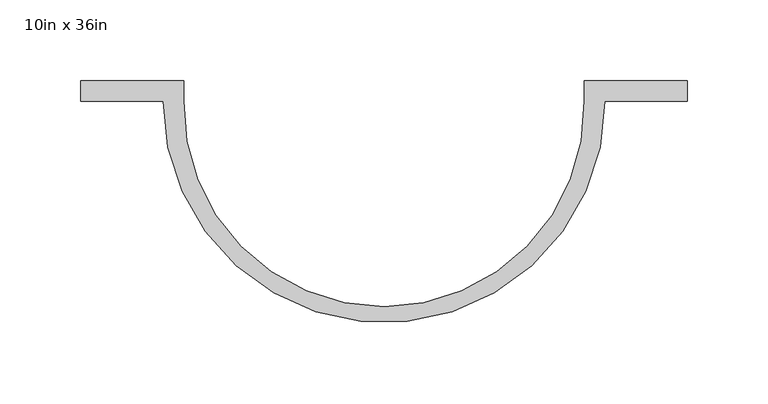
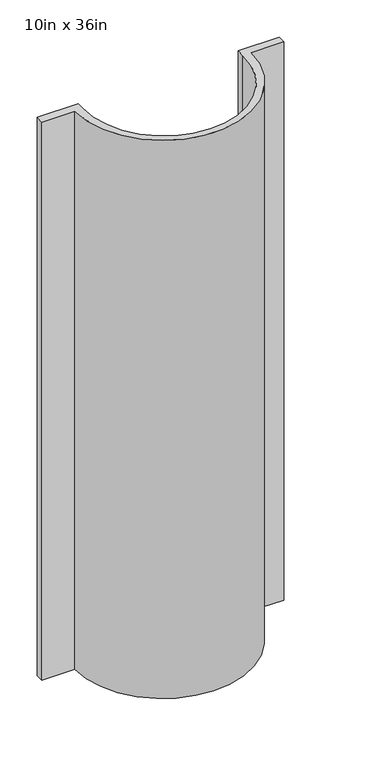
"""IFC4 building model written with IfcOpenShell, lengths in millimetres: proxy geometry, 10in x 36in."""

from ifc_helpers import new_model, si_unit, point, frame_2d, origin, origin_with_axes, place, context, project, spatial, polyline, circle_curve, trimmed, segment, composite_curve, outline, extrude, source, transform, mapped, element, save


def proxy_10in_x_36in_c3a5f086(model_context):
    return source(origin(), model_context, "Body", "SweptSolid", [
        extrude(outline(composite_curve([segment(trimmed(circle_curve(frame_2d((0.0, 80.9625)), 136.525), [point((136.525, 80.9625))], [point((-136.525, 80.9625))], False, "CARTESIAN"), True, "CONTINUOUS"), segment(polyline([(-136.525, 80.9625), (-187.325, 80.9625), (-187.325, 93.6625), (-123.7906229, 93.6625), (-123.7906229, 80.9625)]), True, "CONTINUOUS"), segment(trimmed(circle_curve(frame_2d((0.0, 78.0449145)), 123.825), [point((-123.7906229, 80.9625))], [point((123.7906229, 80.9625))], True, "CARTESIAN"), True, "CONTINUOUS"), segment(polyline([(123.7906229, 80.9625), (123.7906229, 93.6625), (187.325, 93.6625), (187.325, 80.9625), (136.525, 80.9625)]), True, "CONTINUOUS")], self_intersect=False)), origin_with_axes(), (0.0, 0.0, 1.0), 914.4),
    ])


if __name__ == "__main__":
    model = new_model("IFC4")
    model_context = context("Model", 3, world=origin())
    ifc_project = project(units=[si_unit("LENGTHUNIT", "METRE", prefix="MILLI")], contexts=[model_context])
    site = spatial("IfcSite", under=ifc_project)
    building = spatial("IfcBuilding", under=site)
    placement = place(None, origin())
    proxy_10in_x_36in_shape = proxy_10in_x_36in_c3a5f086(model_context)
    element("IfcBuildingElementProxy", 1, Name="10in x 36in", ObjectType="10in x 36in", at=placement, inside=building, context=model_context, shape_type="MappedRepresentation", body=[
        mapped(proxy_10in_x_36in_shape, transform((0.0, 0.0, 0.0), x_axis=(1.0, 0.0, 0.0), y_axis=(0.0, 1.0, 0.0), z_axis=(0.0, 0.0, 1.0))),
    ])
    save(model, "model.ifc")
